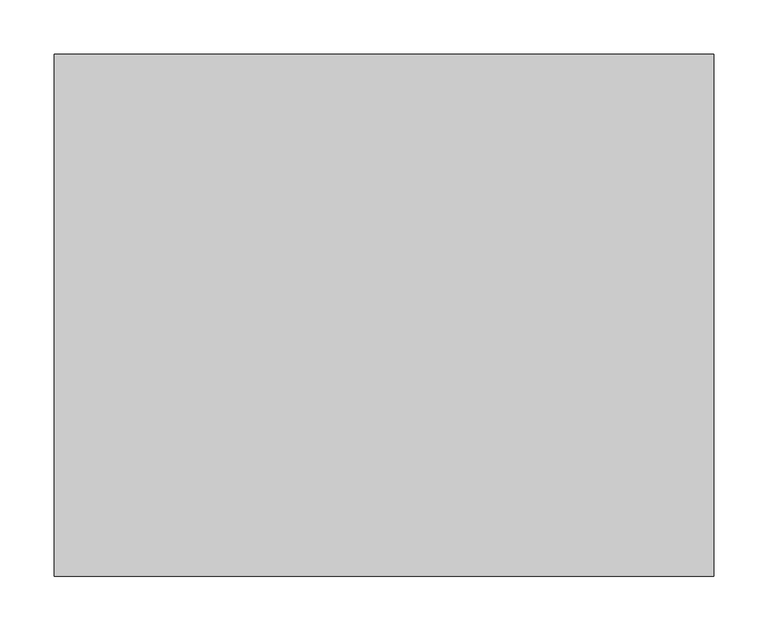
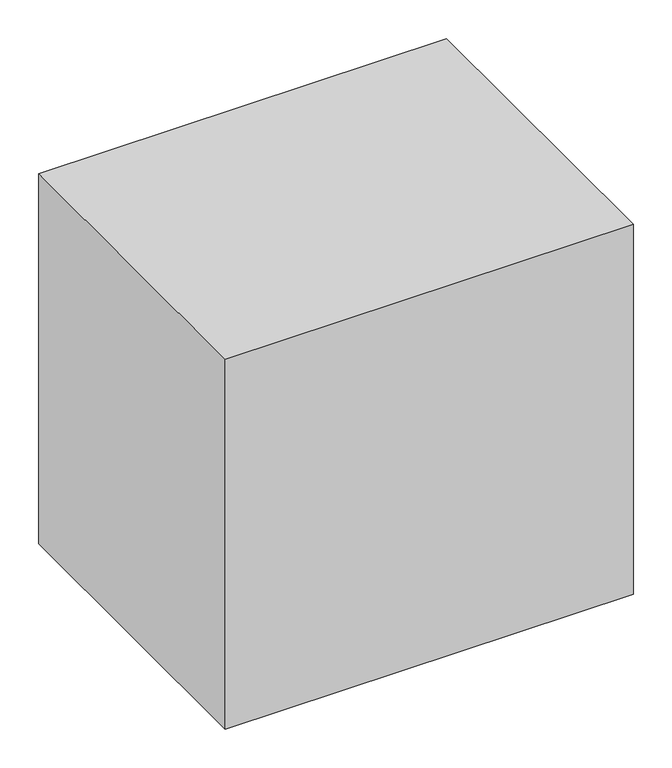
"""IFC4 building model written with IfcOpenShell, lengths in millimetres: proxy geometry."""

from ifc_helpers import new_model, si_unit, frame, origin, origin_with_axes, place, context, project, spatial, polyline, outline, extrude, source, transform, mapped, element, save


def specialty_equipment_8714d146(model_context):
    return source(origin(), model_context, "Body", "SweptSolid", [
        extrude(outline(polyline([(431.8, 241.3), (431.8, -241.3), (152.4, -241.3), (152.4, 241.3), (431.8, 241.3)]), holes=[polyline([(419.1, 228.6), (165.1, 228.6), (165.1, -228.6), (419.1, -228.6), (419.1, 228.6)])]), frame((0.0, -87.4205119, 0.0), z_axis=(0.0, 1.0, 0.0), x_axis=(0.0, 0.0, 1.0)), (0.0, 0.0, 1.0), 4.7862024),
        extrude(outline(polyline([(241.3, -87.4205119), (241.3, -133.2656905), (-241.3, -133.2656905), (-241.3, -87.4205119), (241.3, -87.4205119)])), frame((0.0, 0.0, 152.4), z_axis=(0.0, 0.0, 1.0), x_axis=(1.0, 0.0, 0.0)), (0.0, 0.0, 1.0), 279.4),
        extrude(outline(polyline([(304.8, -241.3), (-304.8, -241.3), (-304.8, 241.3), (304.8, 241.3), (304.8, -241.3)])), origin_with_axes(), (0.0, 0.0, 1.0), 584.2),
    ])


if __name__ == "__main__":
    model = new_model("IFC4")
    model_context = context("Model", 3, world=origin())
    ifc_project = project(units=[si_unit("LENGTHUNIT", "METRE", prefix="MILLI")], contexts=[model_context])
    site = spatial("IfcSite", under=ifc_project)
    building = spatial("IfcBuilding", under=site)
    placement = place(None, origin())
    specialty_equipment_shape = specialty_equipment_8714d146(model_context)
    element("IfcBuildingElementProxy", 1, Name="Specialty Equipment", at=placement, inside=building, context=model_context, shape_type="MappedRepresentation", body=[
        mapped(specialty_equipment_shape, transform((0.0, 0.0, 0.0), x_axis=(1.0, 0.0, 0.0), y_axis=(0.0, 1.0, 0.0), z_axis=(0.0, 0.0, 1.0))),
    ])
    save(model, "model.ifc")
